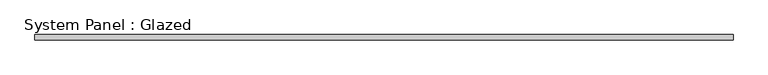
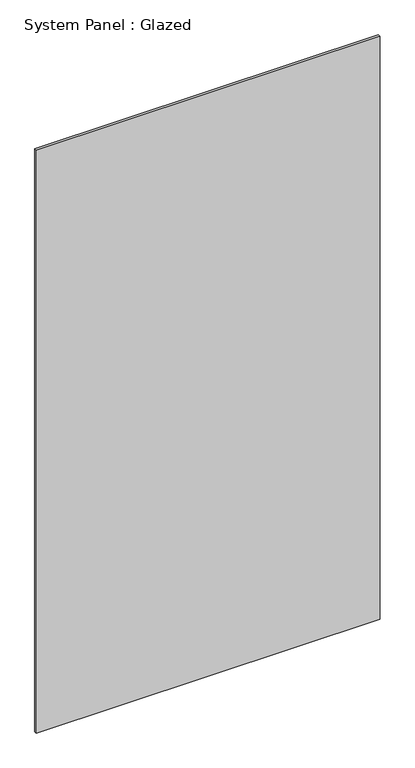
"""IFC4 building model written with IfcOpenShell, lengths in millimetres: plate geometry, System Panel : Glazed."""

import ifcopenshell
import ifcopenshell.guid

model = None  # the IFC model being written
_history = None  # IfcOwnerHistory: only IFC2X3 demands one
_inside = {}  # id of a spatial element -> (the spatial element, [elements in it])
_under = {}  # id of a project, library or spatial element -> (it, [spatial elements below it])
_declared = {}  # id of a project -> (the project, [libraries it declares])
_typed = {}  # id of a type object -> (the type object, [elements of that type])
_made_of = {}  # id of a material, layer set ... -> (it, [elements and type objects made of it])


def new_model(schema):
    """Start an empty IFC model of exactly this schema.

    Asked for "IFC4X3", IfcOpenShell would pick the latest addendum, in which some entities
    have other attributes; the version numbers below select the first issue.
    IFC2X3 requires an IfcOwnerHistory on every rooted entity: one is made here for all.
    """
    global model, _history
    if schema == "IFC4X3":
        model = ifcopenshell.file(schema_version=(4, 3, 0, 0))
    else:
        model = ifcopenshell.file(schema=schema)
    _inside.clear()
    _under.clear()
    _declared.clear()
    _typed.clear()
    _made_of.clear()
    _history = None
    if model.schema == "IFC2X3":
        org = make("IfcOrganization", Name="unknown")
        user = make(
            "IfcPersonAndOrganization",
            ThePerson=make("IfcPerson", FamilyName="unknown"),
            TheOrganization=org,
        )
        app = make(
            "IfcApplication",
            ApplicationDeveloper=org,
            Version="unknown",
            ApplicationFullName="unknown",
            ApplicationIdentifier="unknown",
        )
        _history = make(
            "IfcOwnerHistory",
            OwningUser=user,
            OwningApplication=app,
            ChangeAction="ADDED",
            CreationDate=0,
        )
    return model


def make(cls, **values):
    """One entity of the class cls with the attributes given. An attribute that is None is left unset."""
    return model.create_entity(
        cls, **{name: value for name, value in values.items() if value is not None}
    )


def rooted(cls, **values):
    """An entity with a GlobalId (a new one), such as an element, a storey or a relation."""
    return make(cls, GlobalId=ifcopenshell.guid.new(), OwnerHistory=_history, **values)


def si_unit(unit_type, name, prefix=None):
    """IfcSIUnit, for example si_unit("LENGTHUNIT", "METRE", prefix="MILLI")."""
    return make("IfcSIUnit", UnitType=unit_type, Prefix=prefix, Name=name)


def assignment(units):
    """IfcUnitAssignment: the units of a project."""
    return None if units is None else make("IfcUnitAssignment", Units=units)


def point(xyz):
    """IfcCartesianPoint."""
    return None if xyz is None else make("IfcCartesianPoint", Coordinates=xyz)


def direction(xyz):
    """IfcDirection."""
    return None if xyz is None else make("IfcDirection", DirectionRatios=xyz)


def frame(location, z_axis=None, x_axis=None):
    """IfcAxis2Placement3D, a coordinate frame: its origin and axes. An axis left out is left unset."""
    return make(
        "IfcAxis2Placement3D",
        Location=point(location),
        Axis=direction(z_axis),
        RefDirection=direction(x_axis),
    )


def origin():
    """The frame at (0, 0, 0) with its axes left unset."""
    return frame((0.0, 0.0, 0.0))


def origin_with_axes():
    """The frame at (0, 0, 0) with the z axis (0, 0, 1) and the x axis (1, 0, 0) written out."""
    return frame((0.0, 0.0, 0.0), z_axis=(0.0, 0.0, 1.0), x_axis=(1.0, 0.0, 0.0))


def place(relative_to, where):
    """IfcLocalPlacement: puts the frame where relative to a parent placement (None: the world)."""
    return make(
        "IfcLocalPlacement", PlacementRelTo=relative_to, RelativePlacement=where
    )


def context(
    kind, dimensions, precision=None, world=None, true_north=None, identifier=None
):
    """IfcGeometricRepresentationContext, for example the 3D "Model" context."""
    return make(
        "IfcGeometricRepresentationContext",
        ContextIdentifier=identifier,
        ContextType=kind,
        CoordinateSpaceDimension=dimensions,
        Precision=precision,
        WorldCoordinateSystem=world,
        TrueNorth=true_north,
    )


def project(units=None, contexts=None):
    """IfcProject with its units and contexts."""
    return rooted(
        "IfcProject",
        Name="project",
        RepresentationContexts=contexts,
        UnitsInContext=assignment(units),
    )


def spatial(cls, under=None, at=None, **own):
    """A site, building, storey or space (cls), placed at a placement, below another one or the project."""
    s = rooted(cls, ObjectPlacement=at, **own)
    if under is not None:
        _under.setdefault(under.id(), (under, []))[1].append(s)
    return s


def polyline(points):
    """IfcPolyline through the points."""
    return make("IfcPolyline", Points=[point(p) for p in points])


def outline(outer, holes=None, kind="AREA"):
    """IfcArbitraryClosedProfileDef: a profile drawn as a closed curve; with holes, ...WithVoids."""
    if holes is None:
        return make("IfcArbitraryClosedProfileDef", ProfileType=kind, OuterCurve=outer)
    return make(
        "IfcArbitraryProfileDefWithVoids",
        ProfileType=kind,
        OuterCurve=outer,
        InnerCurves=holes,
    )


def extrude(swept, where, along, depth):
    """IfcExtrudedAreaSolid: the profile swept, set in the frame where, extruded along a direction by depth."""
    return make(
        "IfcExtrudedAreaSolid",
        SweptArea=swept,
        Position=where,
        ExtrudedDirection=direction(along),
        Depth=depth,
    )


def shape(context_of_items, identifier, shape_type, items):
    """IfcShapeRepresentation: the items that make up one representation, for example the "Body"."""
    return make(
        "IfcShapeRepresentation",
        ContextOfItems=context_of_items,
        RepresentationIdentifier=identifier,
        RepresentationType=shape_type,
        Items=items,
    )


def source(mapping_origin, context_of_items, identifier, shape_type, items):
    """IfcRepresentationMap: a shape defined once, which mapped items show again and again."""
    return make(
        "IfcRepresentationMap",
        MappingOrigin=mapping_origin,
        MappedRepresentation=shape(context_of_items, identifier, shape_type, items),
    )


def transform(
    local_origin,
    x_axis=None,
    y_axis=None,
    z_axis=None,
    scale=None,
    scale2=None,
    scale3=None,
    uniform=True,
):
    """IfcCartesianTransformationOperator3D, or its non-uniform kind. x_axis, y_axis, z_axis: its Axis1, 2, 3."""
    if uniform:
        return make(
            "IfcCartesianTransformationOperator3D",
            Axis1=direction(x_axis),
            Axis2=direction(y_axis),
            LocalOrigin=point(local_origin),
            Scale=scale,
            Axis3=direction(z_axis),
        )
    return make(
        "IfcCartesianTransformationOperator3DnonUniform",
        Axis1=direction(x_axis),
        Axis2=direction(y_axis),
        LocalOrigin=point(local_origin),
        Scale=scale,
        Axis3=direction(z_axis),
        Scale2=scale2,
        Scale3=scale3,
    )


def mapped(mapping_source, mapping_target):
    """IfcMappedItem: shows the shape of a source again, moved by a transform."""
    return make(
        "IfcMappedItem", MappingSource=mapping_source, MappingTarget=mapping_target
    )


def made_of(thing, what):
    """Note that an element or type object is made of a material, layer set ...; save() writes the relation."""
    if what is not None:
        _made_of.setdefault(what.id(), (what, []))[1].append(thing)
    return thing


def element(
    cls,
    number,
    at=None,
    inside=None,
    cuts=None,
    type_object=None,
    material=None,
    context=None,
    identifier="Body",
    shape_type=None,
    held_by="IfcProductDefinitionShape",
    body=None,
    shapes=None,
    **own,
):
    """One element of the class cls, such as IfcWall. Its Tag is "e" and its number.

    at: its placement. inside: the storey or other place that contains it. cuts: it is an
    opening in that element (IfcRelVoidsElement). A single representation is given by context,
    identifier, shape_type and body (its items); several are given by shapes. held_by: the class
    of the entity that holds the representations. save() writes the other relations.
    """
    e = rooted(cls, Tag="e%d" % number, ObjectPlacement=at, **own)
    if body is not None:
        shapes = [shape(context, identifier, shape_type, body)]
    if shapes is not None:
        e.Representation = make(held_by, Representations=shapes)
    if inside is not None:
        _inside.setdefault(inside.id(), (inside, []))[1].append(e)
    if cuts is not None:
        rooted(
            "IfcRelVoidsElement", RelatingBuildingElement=cuts, RelatedOpeningElement=e
        )
    if type_object is not None:
        _typed.setdefault(type_object.id(), (type_object, []))[1].append(e)
    return made_of(e, material)


def aggregate(whole, parts):
    """IfcRelAggregates: a whole, such as a stair, and the parts it consists of."""
    return rooted("IfcRelAggregates", RelatingObject=whole, RelatedObjects=parts)


def save(model, path):
    """Write the relations noted so far, then the file.

    IfcRelAggregates (storeys below a building ...), IfcRelContainedInSpatialStructure (elements
    in a storey), IfcRelDefinesByType, IfcRelAssociatesMaterial and IfcRelDeclares: one each for
    every whole, place, type object, material and project.
    """
    for whole, parts in _under.values():
        aggregate(whole, parts)
    for where, things in _inside.values():
        rooted(
            "IfcRelContainedInSpatialStructure",
            RelatedElements=things,
            RelatingStructure=where,
        )
    for kind, things in _typed.values():
        rooted("IfcRelDefinesByType", RelatedObjects=things, RelatingType=kind)
    for what, things in _made_of.values():
        rooted("IfcRelAssociatesMaterial", RelatedObjects=things, RelatingMaterial=what)
    for by, libraries in _declared.values():
        rooted("IfcRelDeclares", RelatingContext=by, RelatedDefinitions=libraries)
    model.write(path)


def system_panel_glazed_ede1a6f8(model_context):
    return source(origin(), model_context, "Body", "SweptSolid", [
        extrude(outline(polyline([(1701.8, 19.05), (-1701.8, 19.05), (-1701.8, 44.45), (1701.8, 44.45), (1701.8, 19.05)])), origin_with_axes(), (0.0, 0.0, 1.0), 6096.0),
    ])


if __name__ == "__main__":
    model = new_model("IFC4")
    model_context = context("Model", 3, world=origin())
    ifc_project = project(units=[si_unit("LENGTHUNIT", "METRE", prefix="MILLI")], contexts=[model_context])
    site = spatial("IfcSite", under=ifc_project)
    building = spatial("IfcBuilding", under=site)
    placement = place(None, origin())
    system_panel_glazed_shape = system_panel_glazed_ede1a6f8(model_context)
    element("IfcPlate", 1, ObjectType="System Panel : Glazed", at=placement, inside=building, context=model_context, shape_type="MappedRepresentation", body=[
        mapped(system_panel_glazed_shape, transform((0.0, 0.0, 0.0), x_axis=(1.0, 0.0, 0.0), y_axis=(0.0, 1.0, 0.0), z_axis=(0.0, 0.0, 1.0))),
    ])
    save(model, "model.ifc")
